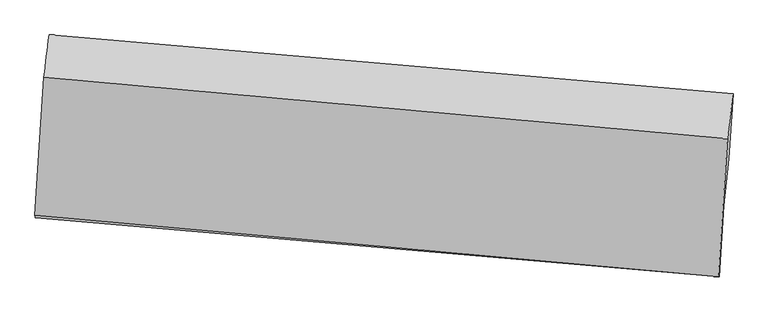
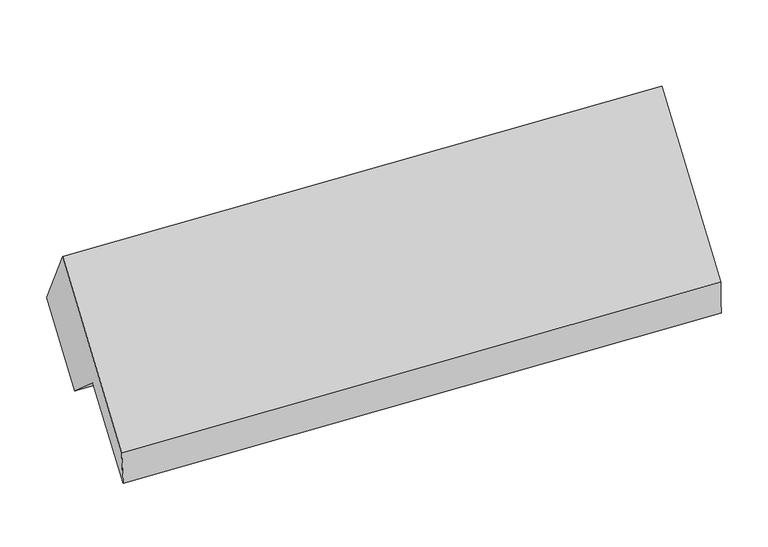
"""IFC4 building model written with IfcOpenShell, lengths in millimetres: proxy geometry."""

from ifc_helpers import new_model, si_unit, frame, origin, place, context, project, spatial, source, transform, mapped, element, save
from ifc_brep_helpers import plane_surface, spline_surface, advanced_brep


def generic_models_f92d8e0e(model_context):
    return source(origin(), model_context, "Body", "AdvancedBrep", [
        advanced_brep(
        [(-5086.4433748, -950.3763098, 2666.3355826), (-5145.0894076, -1856.2997437, 1603.2989986), (-662.8132506, -2259.4741421, 1699.6055816), (-604.1672178, -1353.5507081, 2762.6421656), (-5141.4966734, -1869.9071256, 1355.6422594), (-657.6473907, -2257.9493908, 1438.9663996), (-5111.4817467, -1406.2572557, 1899.7023371), (-627.632464, -1794.2995209, 1983.0264773), (-5080.016702, -1103.5902315, 1640.0325815), (-595.3808566, -1484.0664301, 1716.8655003), (-5052.1392001, -672.9578243, 2145.3490199), (-567.9228779, -1059.9145277, 2214.5775282)],
        [
            (0, 1),
            (1, 2),
            (2, 3),
            (3, 0),
            (1, 4),
            (4, 5),
            (5, 2),
            (4, 6),
            (6, 7),
            (7, 5),
            (6, 8),
            (8, 9),
            (9, 7),
            (8, 10),
            (10, 11),
            (11, 9),
            (10, 0),
            (3, 11),
        ],
        [
            plane_surface(frame((-5115.7663912, -1403.3380267, 2134.8172906), z_axis=(-0.08197487147560885, -0.7563123970579245, 0.6490544495672562), x_axis=(-0.04195231958934812, -0.6480504753789251, -0.7604410458689236))),
            spline_surface(1, 1, [[(-5145.0894076, -1856.2997437, 1603.2989986), (-662.8132506, -2259.4741421, 1699.6055816)], [(-5141.4966734, -1869.9071256, 1355.6422594), (-657.6473907, -2257.9493908, 1438.9663996)]], [2, 2], [2, 2], [0.0, 1.0], [0.0, 1.0]),
            plane_surface(frame((-5126.48921, -1638.0821907, 1627.6722982), z_axis=(0.07754988375316163, 0.7567028805369858, -0.6491431014167057), x_axis=(0.04195231958934802, 0.6480504753789187, 0.7604410458689292))),
            plane_surface(frame((-5095.7492244, -1254.9237436, 1769.8674593), z_axis=(-0.04195231958934223, -0.6480504753789201, -0.7604410458689281), x_axis=(0.07865628034851742, 0.7566066595663292, -0.6491221397099441))),
            plane_surface(frame((-5066.0779511, -888.2740279, 1892.6908007), z_axis=(0.07533681580483133, 0.7568925205483457, -0.6491826218579496), x_axis=(0.04195231958934801, 0.6480504753789197, 0.7604410458689284))),
            spline_surface(1, 1, [[(-5052.1392001, -672.9578243, 2145.3490199), (-567.9228779, -1059.9145277, 2214.5775282)], [(-5086.4433748, -950.3763098, 2666.3355826), (-604.1672178, -1353.5507081, 2762.6421656)]], [2, 2], [2, 2], [0.0, 1.0], [0.0, 1.0]),
            plane_surface(frame((-619.2606763, -1701.5424533, 1969.2806088), z_axis=(0.9960186707300266, -0.08704564355001942, 0.019231835485838795), x_axis=(0.04195231958934801, 0.6480504753789197, 0.7604410458689284))),
            plane_surface(frame((-5102.7778508, -1309.8980818, 1885.0601298), z_axis=(-0.9960186707300265, 0.08704564355001866, -0.019231835485837658), x_axis=(0.058020722642231924, 0.46921464079810393, -0.8811760417787013))),
        ],
        [
            (0, [[1, 2, 3, 4]]),
            (1, [[5, 6, 7, -2]]),
            (2, [[8, 9, 10, -6]]),
            (3, [[11, 12, 13, -9]]),
            (4, [[14, 15, 16, -12]]),
            (5, [[17, -4, 18, -15]]),
            (6, [[-16, -18, -3, -7, -10, -13]]),
            (7, [[-17, -14, -11, -8, -5, -1]]),
        ],
    ),
    ])


if __name__ == "__main__":
    model = new_model("IFC4")
    model_context = context("Model", 3, world=origin())
    ifc_project = project(units=[si_unit("LENGTHUNIT", "METRE", prefix="MILLI")], contexts=[model_context])
    site = spatial("IfcSite", under=ifc_project)
    building = spatial("IfcBuilding", under=site)
    placement = place(None, origin())
    generic_models_shape = generic_models_f92d8e0e(model_context)
    element("IfcBuildingElementProxy", 1, Name="Generic Models", at=placement, inside=building, context=model_context, shape_type="MappedRepresentation", body=[
        mapped(generic_models_shape, transform((0.0, 0.0, 0.0), x_axis=(1.0, 0.0, 0.0), y_axis=(0.0, 1.0, 0.0), z_axis=(0.0, 0.0, 1.0))),
    ])
    save(model, "model.ifc")
